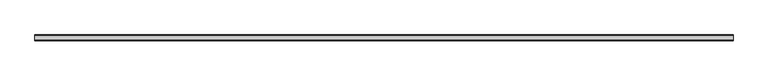
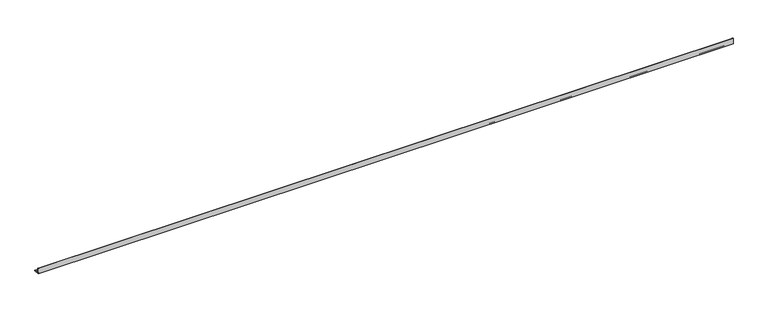
"""IFC4 building model written with IfcOpenShell, lengths in millimetres: beam geometry."""

from ifc_helpers import new_model, si_unit, point, frame, frame_2d, origin, place, context, project, spatial, polyline, circle_curve, trimmed, segment, composite_curve, outline, extrude, source, transform, mapped, element, save


def beam_79a5e152(model_context):
    return source(origin(), model_context, "Body", "SweptSolid", [
        extrude(outline(composite_curve([segment(polyline([(-21.3, -21.3), (-21.3, 53.7), (-18.3, 53.7)]), True, "CONTINUOUS"), segment(trimmed(circle_curve(frame_2d((-18.3, 48.7)), 5.0), [point((-18.3, 53.7))], [point((-13.3, 48.7))], False, "CARTESIAN"), True, "CONTINUOUS"), segment(polyline([(-13.3, 48.7), (-13.3, -5.3)]), True, "CONTINUOUS"), segment(trimmed(circle_curve(frame_2d((-5.3, -5.3)), 8.0), [point((-13.3, -5.3))], [point((-5.3, -13.3))], True, "CARTESIAN"), True, "CONTINUOUS"), segment(polyline([(-5.3, -13.3), (48.7, -13.3)]), True, "CONTINUOUS"), segment(trimmed(circle_curve(frame_2d((48.7, -18.3)), 5.0), [point((48.7, -13.3))], [point((53.7, -18.3))], False, "CARTESIAN"), True, "CONTINUOUS"), segment(polyline([(53.7, -18.3), (53.7, -21.3), (-21.3, -21.3)]), True, "CONTINUOUS")], self_intersect=False)), frame((-4444.0, 0.0, 0.0), z_axis=(1.0, 0.0, 0.0), x_axis=(0.0, 1.0, 0.0)), (0.0, 0.0, 1.0), 8896.0),
    ])


if __name__ == "__main__":
    model = new_model("IFC4")
    model_context = context("Model", 3, world=origin())
    ifc_project = project(units=[si_unit("LENGTHUNIT", "METRE", prefix="MILLI")], contexts=[model_context])
    site = spatial("IfcSite", under=ifc_project)
    building = spatial("IfcBuilding", under=site)
    placement = place(None, origin())
    beam_shape = beam_79a5e152(model_context)
    element("IfcBeam", 1, at=placement, inside=building, context=model_context, shape_type="MappedRepresentation", body=[
        mapped(beam_shape, transform((0.0, 0.0, 0.0), x_axis=(1.0, 0.0, 0.0), y_axis=(0.0, 1.0, 0.0), z_axis=(0.0, 0.0, 1.0))),
    ])
    save(model, "model.ifc")
